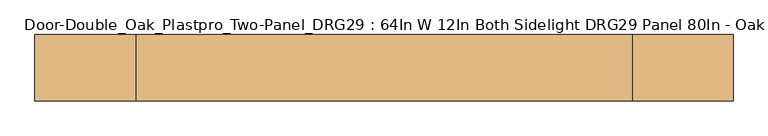
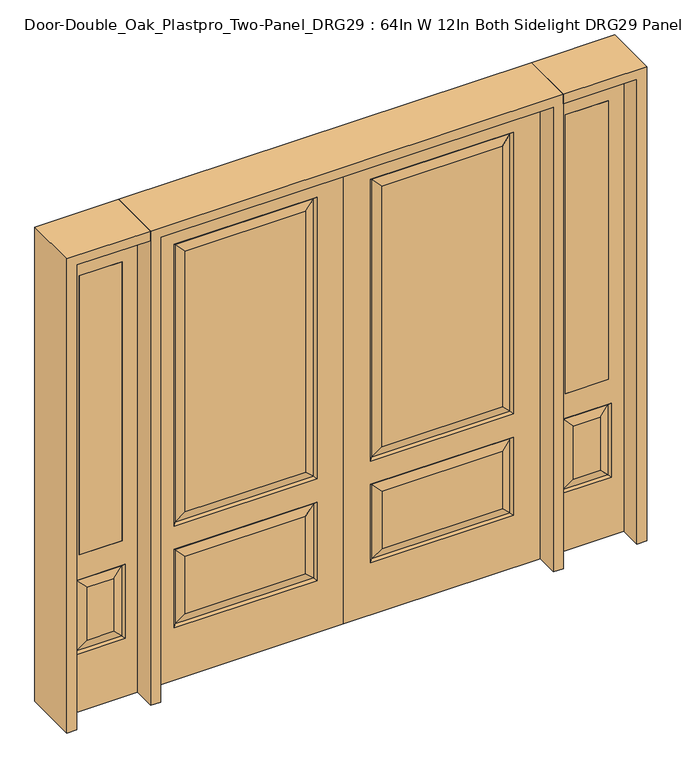
"""IFC4 building model written with IfcOpenShell, lengths in millimetres: door geometry, Door-Double_Oak_Plastpro_Two-Panel_DRG29 : 64In W 12In Both Sidelight DRG29 Panel 80In - Oak."""

from ifc_helpers import new_model, si_unit, frame, origin, place, context, project, spatial, polyline, outline, extrude, faceted_brep, source, transform, mapped, element, save


def door_double_oak_plastpro_two_panel_drg29_64in_w_12in_both_aae4da08(model_context):
    return source(origin(), model_context, "Body", "SolidModel", [
        faceted_brep([(692.5796986, -11.6572439, 562.4046986), (120.2203014, -11.6572439, 562.4046986), (157.2775452, -20.6375, 525.3474548), (655.5224548, -20.6375, 525.3474548), (157.2775452, -20.6375, 274.7525452), (120.2203014, -11.6572439, 237.6953014), (0.0, 20.6375, 0.0), (812.8, 20.6375, 0.0), (812.8, -20.6375, 0.0), (0.0, -20.6375, 0.0), (0.0, 20.6375, 2032.0), (0.0, -20.6375, 2032.0), (812.8, -20.6375, 2032.0), (111.2400452, -20.6375, 228.7150452), (111.2400452, -20.6375, 571.3849548), (701.5599548, -20.6375, 571.3849548), (701.5599548, -20.6375, 228.7150452), (111.2400452, -20.6375, 673.2150452), (111.2400452, -20.6375, 1904.8849548), (701.5599548, -20.6375, 1904.8849548), (701.5599548, -20.6375, 673.2150452), (655.5224548, -20.6375, 274.7525452), (655.5224548, -20.6375, 719.2525452), (655.5224548, -20.6375, 1858.8474548), (157.2775452, -20.6375, 1858.8474548), (157.2775452, -20.6375, 719.2525452), (655.5224548, 20.6375, 274.7525452), (655.5224548, 20.6375, 525.3474548), (692.5796986, 11.6572439, 562.4046986), (692.5796986, 11.6572439, 237.6953014), (701.5599548, 20.6375, 571.3849548), (701.5599548, 20.6375, 228.7150452), (120.2203014, 11.6572439, 237.6953014), (120.2203014, 11.6572439, 562.4046986), (157.2775452, 20.6375, 525.3474548), (157.2775452, 20.6375, 274.7525452), (120.2203014, 11.6572439, 682.1953014), (157.2775452, 20.6375, 719.2525452), (655.5224548, 20.6375, 719.2525452), (692.5796986, 11.6572439, 682.1953014), (655.5224548, 20.6375, 1858.8474548), (692.5796986, 11.6572439, 1895.9046986), (111.2400452, 20.6375, 571.3849548), (692.5796986, -11.6572439, 237.6953014), (812.8, 20.6375, 2032.0), (111.2400452, 20.6375, 228.7150452), (701.5599548, 20.6375, 673.2150452), (701.5599548, 20.6375, 1904.8849548), (111.2400452, 20.6375, 1904.8849548), (111.2400452, 20.6375, 673.2150452), (157.2775452, 20.6375, 1858.8474548), (120.2203014, 11.6572439, 1895.9046986), (120.2203014, -11.6572439, 682.1953014), (692.5796986, -11.6572439, 682.1953014), (692.5796986, -11.6572439, 1895.9046986), (120.2203014, -11.6572439, 1895.9046986)], [[[0, 1, 2, 3]], [[4, 2, 1, 5]], [[6, 7, 8, 9]], [[10, 6, 9, 11]], [[11, 9, 8, 12], [13, 14, 15, 16], [17, 18, 19, 20]], [[21, 3, 2, 4]], [[22, 23, 24, 25]], [[26, 27, 28, 29]], [[29, 28, 30, 31]], [[32, 33, 34, 35]], [[36, 37, 38, 39]], [[38, 40, 41, 39]], [[28, 33, 42, 30]], [[16, 15, 0, 43]], [[15, 14, 1, 0]], [[12, 8, 7, 44]], [[44, 7, 6, 10], [31, 30, 42, 45], [46, 47, 48, 49]], [[37, 50, 40, 38]], [[35, 34, 27, 26]], [[10, 11, 12, 44]], [[49, 48, 51, 36]], [[29, 31, 45, 32]], [[36, 51, 50, 37]], [[45, 42, 33, 32]], [[39, 46, 49, 36]], [[39, 41, 47, 46]], [[32, 35, 26, 29]], [[27, 34, 33, 28]], [[52, 17, 20, 53]], [[20, 19, 54, 53]], [[52, 55, 18, 17]], [[53, 22, 25, 52]], [[25, 24, 55, 52]], [[53, 54, 23, 22]], [[5, 13, 16, 43]], [[5, 1, 14, 13]], [[43, 21, 4, 5]], [[43, 0, 3, 21]], [[19, 18, 55, 54]], [[54, 55, 24, 23]], [[40, 50, 51, 41]], [[41, 51, 48, 47]]]),
        faceted_brep([(-692.5796986, -11.6572439, 562.4046986), (-655.5224548, -20.6375, 525.3474548), (-157.2775452, -20.6375, 525.3474548), (-120.2203014, -11.6572439, 562.4046986), (-157.2775452, -20.6375, 274.7525452), (-120.2203014, -11.6572439, 237.6953014), (0.0, 20.6375, 0.0), (0.0, -20.6375, 0.0), (-812.8, -20.6375, 0.0), (-812.8, 20.6375, 0.0), (0.0, 20.6375, 2032.0), (0.0, -20.6375, 2032.0), (-655.5224548, -20.6375, 719.2525452), (-157.2775452, -20.6375, 719.2525452), (-157.2775452, -20.6375, 1858.8474548), (-655.5224548, -20.6375, 1858.8474548), (-812.8, -20.6375, 2032.0), (-111.2400452, -20.6375, 673.2150452), (-701.5599548, -20.6375, 673.2150452), (-701.5599548, -20.6375, 1904.8849548), (-111.2400452, -20.6375, 1904.8849548), (-111.2400452, -20.6375, 228.7150452), (-701.5599548, -20.6375, 228.7150452), (-701.5599548, -20.6375, 571.3849548), (-111.2400452, -20.6375, 571.3849548), (-655.5224548, -20.6375, 274.7525452), (-655.5224548, 20.6375, 274.7525452), (-692.5796986, 11.6572439, 237.6953014), (-692.5796986, 11.6572439, 562.4046986), (-655.5224548, 20.6375, 525.3474548), (-701.5599548, 20.6375, 228.7150452), (-701.5599548, 20.6375, 571.3849548), (-120.2203014, 11.6572439, 237.6953014), (-157.2775452, 20.6375, 274.7525452), (-157.2775452, 20.6375, 525.3474548), (-120.2203014, 11.6572439, 562.4046986), (-120.2203014, 11.6572439, 682.1953014), (-692.5796986, 11.6572439, 682.1953014), (-655.5224548, 20.6375, 719.2525452), (-157.2775452, 20.6375, 719.2525452), (-692.5796986, 11.6572439, 1895.9046986), (-655.5224548, 20.6375, 1858.8474548), (-111.2400452, 20.6375, 571.3849548), (-692.5796986, -11.6572439, 237.6953014), (-812.8, 20.6375, 2032.0), (-111.2400452, 20.6375, 228.7150452), (-701.5599548, 20.6375, 673.2150452), (-111.2400452, 20.6375, 673.2150452), (-111.2400452, 20.6375, 1904.8849548), (-701.5599548, 20.6375, 1904.8849548), (-157.2775452, 20.6375, 1858.8474548), (-120.2203014, 11.6572439, 1895.9046986), (-120.2203014, -11.6572439, 682.1953014), (-692.5796986, -11.6572439, 682.1953014), (-692.5796986, -11.6572439, 1895.9046986), (-120.2203014, -11.6572439, 1895.9046986)], [[[0, 1, 2, 3]], [[4, 5, 3, 2]], [[6, 7, 8, 9]], [[10, 11, 7, 6]], [[12, 13, 14, 15]], [[11, 16, 8, 7], [17, 18, 19, 20], [21, 22, 23, 24]], [[25, 4, 2, 1]], [[26, 27, 28, 29]], [[27, 30, 31, 28]], [[32, 33, 34, 35]], [[36, 37, 38, 39]], [[38, 37, 40, 41]], [[28, 31, 42, 35]], [[22, 43, 0, 23]], [[23, 0, 3, 24]], [[16, 44, 9, 8]], [[33, 26, 29, 34]], [[44, 10, 6, 9], [30, 45, 42, 31], [46, 47, 48, 49]], [[39, 38, 41, 50]], [[10, 44, 16, 11]], [[47, 36, 51, 48]], [[27, 32, 45, 30]], [[36, 39, 50, 51]], [[45, 32, 35, 42]], [[37, 36, 47, 46]], [[37, 46, 49, 40]], [[32, 27, 26, 33]], [[29, 28, 35, 34]], [[52, 53, 18, 17]], [[18, 53, 54, 19]], [[52, 17, 20, 55]], [[53, 52, 13, 12]], [[13, 52, 55, 14]], [[53, 12, 15, 54]], [[5, 43, 22, 21]], [[5, 21, 24, 3]], [[43, 5, 4, 25]], [[43, 25, 1, 0]], [[19, 54, 55, 20]], [[54, 15, 14, 55]], [[41, 40, 51, 50]], [[40, 49, 48, 51]]]),
        extrude(outline(polyline([(1095.375, -20.6375), (917.575, -20.6375), (917.575, 20.6375), (1095.375, 20.6375), (1095.375, -20.6375)])), frame((0.0, 0.0, 685.8), z_axis=(0.0, 0.0, 1.0), x_axis=(1.0, 0.0, 0.0)), (0.0, 0.0, 1.0), 1219.2),
        faceted_brep([(1095.375, -20.6375, 1905.0), (917.575, -20.6375, 1905.0), (917.575, 20.6375, 1905.0), (1095.375, 20.6375, 1905.0), (1061.9224548, -20.6375, 531.6974548), (951.0275452, -20.6375, 531.6974548), (951.0275452, -20.6375, 300.1525452), (1061.9224548, -20.6375, 300.1525452), (854.075, -20.6375, 2032.0), (854.075, -20.6375, 0.0), (1158.875, -20.6375, 0.0), (1158.875, -20.6375, 2032.0), (1095.375, -20.6375, 685.8), (917.575, -20.6375, 685.8), (1107.9599548, -20.6375, 254.1150452), (904.9900452, -20.6375, 254.1150452), (904.9900452, -20.6375, 577.7349548), (1107.9599548, -20.6375, 577.7349548), (1098.9796986, 11.6572439, 568.7546986), (1107.9599548, 20.6375, 577.7349548), (1107.9599548, 20.6375, 254.1150452), (1098.9796986, 11.6572439, 263.0953014), (913.9703014, 11.6572439, 568.7546986), (904.9900452, 20.6375, 577.7349548), (1061.9224548, 20.6375, 300.1525452), (1061.9224548, 20.6375, 531.6974548), (1095.375, 20.6375, 685.8), (917.575, 20.6375, 685.8), (913.9703014, -11.6572439, 263.0953014), (1098.9796986, -11.6572439, 263.0953014), (913.9703014, -11.6572439, 568.7546986), (1098.9796986, -11.6572439, 568.7546986), (854.075, 20.6375, 2032.0), (1158.875, 20.6375, 2032.0), (854.075, 20.6375, 0.0), (1158.875, 20.6375, 0.0), (904.9900452, 20.6375, 254.1150452), (951.0275452, 20.6375, 300.1525452), (951.0275452, 20.6375, 531.6974548), (913.9703014, 11.6572439, 263.0953014)], [[[0, 1, 2, 3]], [[4, 5, 6, 7]], [[8, 9, 10, 11], [0, 12, 13, 1], [14, 15, 16, 17]], [[18, 19, 20, 21]], [[18, 22, 23, 19]], [[21, 24, 25, 18]], [[26, 27, 13, 12]], [[7, 6, 28, 29]], [[6, 5, 30, 28]], [[29, 14, 17, 31]], [[32, 8, 11, 33]], [[34, 35, 10, 9]], [[32, 34, 9, 8]], [[11, 10, 35, 33]], [[33, 35, 34, 32], [19, 23, 36, 20], [2, 27, 26, 3]], [[24, 37, 38, 25]], [[20, 36, 39, 21]], [[36, 23, 22, 39]], [[25, 38, 22, 18]], [[39, 22, 38, 37]], [[21, 39, 37, 24]], [[3, 26, 12, 0]], [[1, 13, 27, 2]], [[31, 4, 7, 29]], [[31, 30, 5, 4]], [[17, 16, 30, 31]], [[28, 30, 16, 15]], [[29, 28, 15, 14]]]),
        extrude(outline(polyline([(-1095.375, -20.6375), (-1095.375, 20.6375), (-917.575, 20.6375), (-917.575, -20.6375), (-1095.375, -20.6375)])), frame((0.0, 0.0, 685.8), z_axis=(0.0, 0.0, 1.0), x_axis=(1.0, 0.0, 0.0)), (0.0, 0.0, 1.0), 1219.2),
        faceted_brep([(-1095.375, -20.6375, 1905.0), (-1095.375, 20.6375, 1905.0), (-917.575, 20.6375, 1905.0), (-917.575, -20.6375, 1905.0), (-1061.9224548, -20.6375, 531.6974548), (-1061.9224548, -20.6375, 300.1525452), (-951.0275452, -20.6375, 300.1525452), (-951.0275452, -20.6375, 531.6974548), (-854.075, -20.6375, 2032.0), (-1158.875, -20.6375, 2032.0), (-1158.875, -20.6375, 0.0), (-854.075, -20.6375, 0.0), (-1107.9599548, -20.6375, 254.1150452), (-1107.9599548, -20.6375, 577.7349548), (-904.9900452, -20.6375, 577.7349548), (-904.9900452, -20.6375, 254.1150452), (-917.575, -20.6375, 685.8), (-1095.375, -20.6375, 685.8), (-1098.9796986, 11.6572439, 568.7546986), (-1098.9796986, 11.6572439, 263.0953014), (-1107.9599548, 20.6375, 254.1150452), (-1107.9599548, 20.6375, 577.7349548), (-904.9900452, 20.6375, 577.7349548), (-913.9703014, 11.6572439, 568.7546986), (-1061.9224548, 20.6375, 531.6974548), (-1061.9224548, 20.6375, 300.1525452), (-1095.375, 20.6375, 685.8), (-917.575, 20.6375, 685.8), (-1098.9796986, -11.6572439, 263.0953014), (-913.9703014, -11.6572439, 263.0953014), (-913.9703014, -11.6572439, 568.7546986), (-1098.9796986, -11.6572439, 568.7546986), (-854.075, 20.6375, 2032.0), (-1158.875, 20.6375, 2032.0), (-854.075, 20.6375, 0.0), (-1158.875, 20.6375, 0.0), (-904.9900452, 20.6375, 254.1150452), (-951.0275452, 20.6375, 531.6974548), (-951.0275452, 20.6375, 300.1525452), (-913.9703014, 11.6572439, 263.0953014)], [[[0, 1, 2, 3]], [[4, 5, 6, 7]], [[8, 9, 10, 11], [12, 13, 14, 15], [0, 3, 16, 17]], [[18, 19, 20, 21]], [[18, 21, 22, 23]], [[19, 18, 24, 25]], [[26, 17, 16, 27]], [[5, 28, 29, 6]], [[6, 29, 30, 7]], [[28, 31, 13, 12]], [[32, 33, 9, 8]], [[34, 11, 10, 35]], [[32, 8, 11, 34]], [[9, 33, 35, 10]], [[33, 32, 34, 35], [21, 20, 36, 22], [2, 1, 26, 27]], [[25, 24, 37, 38]], [[20, 19, 39, 36]], [[36, 39, 23, 22]], [[24, 18, 23, 37]], [[39, 38, 37, 23]], [[19, 25, 38, 39]], [[1, 0, 17, 26]], [[3, 2, 27, 16]], [[31, 28, 5, 4]], [[31, 4, 7, 30]], [[13, 31, 30, 14]], [[29, 15, 14, 30]], [[28, 12, 15, 29]]]),
        extrude(outline(polyline([(2032.0, -854.075), (2073.275, -854.075), (2073.275, -1200.15), (0.0, -1200.15), (0.0, -1158.875), (2032.0, -1158.875), (2032.0, -854.075)])), frame((0.0, -114.3, 0.0), z_axis=(0.0, 1.0, 0.0), x_axis=(0.0, 0.0, 1.0)), (0.0, 0.0, 1.0), 228.6),
        extrude(outline(polyline([(2073.275, -854.075), (0.0, -854.075), (0.0, -812.8), (2032.0, -812.8), (2032.0, 812.8), (0.0, 812.8), (0.0, 854.075), (2073.275, 854.075), (2073.275, -854.075)])), frame((0.0, -114.3, 0.0), z_axis=(0.0, 1.0, 0.0), x_axis=(0.0, 0.0, 1.0)), (0.0, 0.0, 1.0), 228.6),
        extrude(outline(polyline([(0.0, 1158.875), (0.0, 1200.15), (2073.275, 1200.15), (2073.275, 854.075), (2032.0, 854.075), (2032.0, 1158.875), (0.0, 1158.875)])), frame((0.0, -114.3, 0.0), z_axis=(0.0, 1.0, 0.0), x_axis=(0.0, 0.0, 1.0)), (0.0, 0.0, 1.0), 228.6),
    ])


if __name__ == "__main__":
    model = new_model("IFC4")
    model_context = context("Model", 3, world=origin())
    ifc_project = project(units=[si_unit("LENGTHUNIT", "METRE", prefix="MILLI")], contexts=[model_context])
    site = spatial("IfcSite", under=ifc_project)
    building = spatial("IfcBuilding", under=site)
    placement = place(None, origin())
    door_double_oak_plastpro_two_panel_drg29_64in_w_12in_both_shape = door_double_oak_plastpro_two_panel_drg29_64in_w_12in_both_aae4da08(model_context)
    element("IfcDoor", 1, ObjectType="Door-Double_Oak_Plastpro_Two-Panel_DRG29 : 64In W 12In Both Sidelight DRG29 Panel 80In - Oak", at=placement, inside=building, context=model_context, shape_type="MappedRepresentation", body=[
        mapped(door_double_oak_plastpro_two_panel_drg29_64in_w_12in_both_shape, transform((0.0, 0.0, 0.0), x_axis=(1.0, 0.0, 0.0), y_axis=(0.0, 1.0, 0.0), z_axis=(0.0, 0.0, 1.0))),
    ])
    save(model, "model.ifc")
